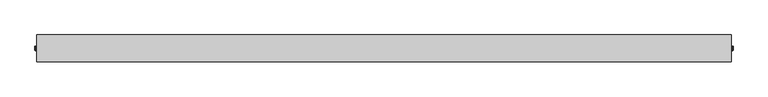
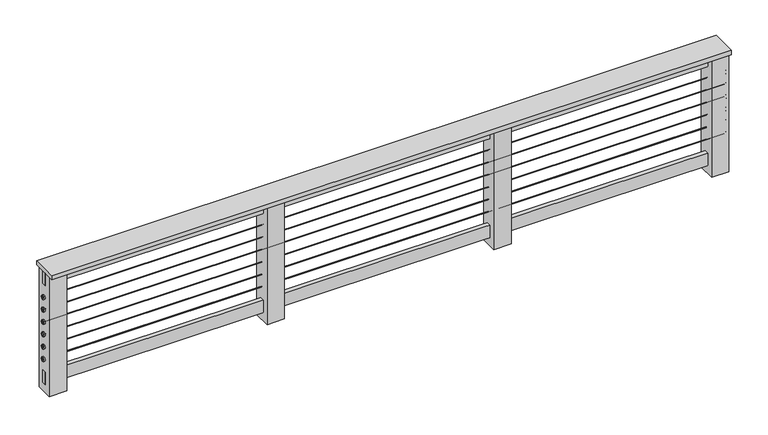
"""IFC4 building model written with IfcOpenShell, lengths in millimetres: railing geometry."""

from ifc_helpers import new_model, si_unit, point, frame, frame_2d, origin, origin_with_axes, place, context, project, spatial, polyline, circle_curve, ellipse_curve, trimmed, segment, composite_curve, outline, extrude, source, transform, mapped, element, save
from ifc_brep_helpers import plane_surface, cylinder_surface, revolved_surface, advanced_brep


def railing_a0584a1e(model_context):
    return source(origin(), model_context, "Body", "SolidModel", [
        extrude(outline(polyline([(-7619.7788687, -3155.4327249), (-7619.7788687, -3003.0327249), (-3657.3788687, -3003.0327249), (-3657.3788687, -3155.4327249), (-7619.7788687, -3155.4327249)])), frame((0.0, 0.0, 736.6), z_axis=(0.0, 0.0, 1.0), x_axis=(1.0, 0.0, 0.0)), (0.0, 0.0, 1.0), 25.4),
        extrude(outline(polyline([(-7619.7788687, -3091.9327249), (-7619.7788687, -3066.5327249), (-3657.3788687, -3066.5327249), (-3657.3788687, -3091.9327249), (-7619.7788687, -3091.9327249)])), frame((0.0, 0.0, 660.4), z_axis=(0.0, 0.0, 1.0), x_axis=(1.0, 0.0, 0.0)), (0.0, 0.0, 1.0), 76.2),
        extrude(outline(composite_curve([segment(trimmed(circle_curve(frame_2d((-3079.2327249, 584.2)), 1.5379197), [point((-3077.6948051, 584.2))], [point((-3080.7706446, 584.2))], False, "CARTESIAN"), True, "CONTINUOUS"), segment(trimmed(circle_curve(frame_2d((-3079.2327249, 584.2)), 1.5379197), [point((-3080.7706446, 584.2))], [point((-3077.6948051, 584.2))], False, "CARTESIAN"), True, "CONTINUOUS")], self_intersect=False)), frame((-7619.7788687, 0.0, 0.0), z_axis=(1.0, 0.0, 0.0), x_axis=(0.0, 1.0, 0.0)), (0.0, 0.0, 1.0), 3962.4),
        extrude(outline(composite_curve([segment(trimmed(circle_curve(frame_2d((-3079.2327249, 508.0)), 1.5379197), [point((-3077.6948051, 508.0))], [point((-3080.7706446, 508.0))], False, "CARTESIAN"), True, "CONTINUOUS"), segment(trimmed(circle_curve(frame_2d((-3079.2327249, 508.0)), 1.5379197), [point((-3080.7706446, 508.0))], [point((-3077.6948051, 508.0))], False, "CARTESIAN"), True, "CONTINUOUS")], self_intersect=False)), frame((-7619.7788687, 0.0, 0.0), z_axis=(1.0, 0.0, 0.0), x_axis=(0.0, 1.0, 0.0)), (0.0, 0.0, 1.0), 3962.4),
        extrude(outline(composite_curve([segment(trimmed(circle_curve(frame_2d((-3079.2327249, 431.8)), 1.5379197), [point((-3077.6948051, 431.8))], [point((-3080.7706446, 431.8))], False, "CARTESIAN"), True, "CONTINUOUS"), segment(trimmed(circle_curve(frame_2d((-3079.2327249, 431.8)), 1.5379197), [point((-3080.7706446, 431.8))], [point((-3077.6948051, 431.8))], False, "CARTESIAN"), True, "CONTINUOUS")], self_intersect=False)), frame((-7619.7788687, 0.0, 0.0), z_axis=(1.0, 0.0, 0.0), x_axis=(0.0, 1.0, 0.0)), (0.0, 0.0, 1.0), 3962.4),
        extrude(outline(composite_curve([segment(trimmed(circle_curve(frame_2d((-3079.2327249, 355.6)), 1.5379197), [point((-3077.6948051, 355.6))], [point((-3080.7706446, 355.6))], False, "CARTESIAN"), True, "CONTINUOUS"), segment(trimmed(circle_curve(frame_2d((-3079.2327249, 355.6)), 1.5379197), [point((-3080.7706446, 355.6))], [point((-3077.6948051, 355.6))], False, "CARTESIAN"), True, "CONTINUOUS")], self_intersect=False)), frame((-7619.7788687, 0.0, 0.0), z_axis=(1.0, 0.0, 0.0), x_axis=(0.0, 1.0, 0.0)), (0.0, 0.0, 1.0), 3962.4),
        extrude(outline(composite_curve([segment(trimmed(circle_curve(frame_2d((-3079.2327249, 279.4)), 1.5379197), [point((-3077.6948051, 279.4))], [point((-3080.7706446, 279.4))], False, "CARTESIAN"), True, "CONTINUOUS"), segment(trimmed(circle_curve(frame_2d((-3079.2327249, 279.4)), 1.5379197), [point((-3080.7706446, 279.4))], [point((-3077.6948051, 279.4))], False, "CARTESIAN"), True, "CONTINUOUS")], self_intersect=False)), frame((-7619.7788687, 0.0, 0.0), z_axis=(1.0, 0.0, 0.0), x_axis=(0.0, 1.0, 0.0)), (0.0, 0.0, 1.0), 3962.4),
        extrude(outline(composite_curve([segment(trimmed(circle_curve(frame_2d((-3079.2327249, 203.2)), 1.5379197), [point((-3077.6948051, 203.2))], [point((-3080.7706446, 203.2))], False, "CARTESIAN"), True, "CONTINUOUS"), segment(trimmed(circle_curve(frame_2d((-3079.2327249, 203.2)), 1.5379197), [point((-3080.7706446, 203.2))], [point((-3077.6948051, 203.2))], False, "CARTESIAN"), True, "CONTINUOUS")], self_intersect=False)), frame((-7619.7788687, 0.0, 0.0), z_axis=(1.0, 0.0, 0.0), x_axis=(0.0, 1.0, 0.0)), (0.0, 0.0, 1.0), 3962.4),
        extrude(outline(polyline([(-7619.7788687, -3091.9327249), (-7619.7788687, -3066.5327249), (-3657.3788687, -3066.5327249), (-3657.3788687, -3091.9327249), (-7619.7788687, -3091.9327249)])), frame((0.0, 0.0, 50.8), z_axis=(0.0, 0.0, 1.0), x_axis=(1.0, 0.0, 0.0)), (0.0, 0.0, 1.0), 76.2),
        extrude(outline(polyline([(-5028.9788687, -3130.0327249), (-5028.9788687, -3028.4327249), (-4927.3788687, -3028.4327249), (-4927.3788687, -3130.0327249), (-5028.9788687, -3130.0327249)])), origin_with_axes(), (0.0, 0.0, 1.0), 736.6),
        extrude(outline(polyline([(-6349.7788687, -3130.0327249), (-6349.7788687, -3028.4327249), (-6248.1788687, -3028.4327249), (-6248.1788687, -3130.0327249), (-6349.7788687, -3130.0327249)])), origin_with_axes(), (0.0, 0.0, 1.0), 736.6),
        advanced_brep(
        [(-3657.3788687, -3079.2327249, 279.0980455), (-3657.3788687, -3079.2327249, 266.3980455), (-3657.3788687, -3079.2327249, 291.7980455), (-3647.8538687, -3079.2327249, 269.5730455), (-3647.8538687, -3079.2327249, 279.0980455), (-3647.8538687, -3079.2327249, 288.6230455), (-3651.0288687, -3079.2327249, 266.3980455), (-3651.0288687, -3079.2327249, 291.7980455)],
        [
            (0, 1),
            (1, 2, circle_curve(frame((-3657.3788687, -3079.2327249, 279.0980455), z_axis=(-1.0, 0.0, 0.0), x_axis=(0.0, 0.0, 1.0)), 12.7)),
            (2, 0),
            (2, 1, circle_curve(frame((-3657.3788687, -3079.2327249, 279.0980455), z_axis=(-1.0, 0.0, 0.0), x_axis=(0.0, 0.0, 1.0)), 12.7)),
            (3, 4),
            (4, 5),
            (5, 3, circle_curve(frame((-3647.8538687, -3079.2327249, 279.0980455), z_axis=(1.0, 0.0, 0.0), x_axis=(0.0, 0.0, 1.0)), 9.525)),
            (3, 5, circle_curve(frame((-3647.8538687, -3079.2327249, 279.0980455), z_axis=(1.0, 0.0, 0.0), x_axis=(0.0, 0.0, 1.0)), 9.525)),
            (1, 6),
            (6, 7, circle_curve(frame((-3651.0288687, -3079.2327249, 279.0980455), z_axis=(-1.0, 0.0, 0.0), x_axis=(0.0, 0.0, 1.0)), 12.7)),
            (7, 2),
            (7, 6, circle_curve(frame((-3651.0288687, -3079.2327249, 279.0980455), z_axis=(-1.0, 0.0, 0.0), x_axis=(0.0, 0.0, 1.0)), 12.7)),
            (6, 3, circle_curve(frame((-3651.0288687, -3079.2327249, 269.5730455), z_axis=(0.0, -1.0, 0.0), x_axis=(1.0, 0.0, 0.0)), 3.175)),
            (5, 7, circle_curve(frame((-3651.0288687, -3079.2327249, 288.6230455), z_axis=(0.0, -1.0, 0.0), x_axis=(1.0, 0.0, 0.0)), 3.175)),
        ],
        [
            plane_surface(frame((-3657.3788687, -3079.2327249, 279.0980455), z_axis=(-1.0, 0.0, 0.0), x_axis=(0.0, 0.0, 1.0))),
            plane_surface(frame((-3647.8538687, -3079.2327249, 279.0980455), z_axis=(1.0, 0.0, 0.0), x_axis=(0.0, 0.0, 1.0))),
            cylinder_surface(frame((-3657.3788687, -3079.2327249, 279.0980455), z_axis=(-1.0, 0.0, 0.0), x_axis=(0.0, 0.0, 1.0)), 12.7),
            revolved_surface(trimmed(ellipse_curve(frame((-3651.0288687, -3079.2327249, 288.6230455), z_axis=(0.0, -1.0, 0.0), x_axis=(1.0, 0.0, 0.0)), 3.175, 3.175), [point((-3647.8538687, -3079.2327249, 288.6230455))], [point((-3651.0288687, -3079.2327249, 291.7980455))], True, "CARTESIAN"), (-3657.3788687, -3079.2327249, 279.0980455), (-1.0, 0.0, 0.0)),
        ],
        [
            (0, [[1, 2, 3]]),
            (0, [[-3, 4, -1]]),
            (1, [[5, 6, 7]]),
            (1, [[-6, -5, 8]]),
            (2, [[9, 10, 11, -2]]),
            (2, [[-11, 12, -9, -4]]),
            (3, [[13, -7, 14, -10]]),
            (3, [[-14, -8, -13, -12]]),
        ],
    ),
        advanced_brep(
        [(-3657.3788687, -3079.2327249, 355.2980455), (-3657.3788687, -3079.2327249, 342.5980455), (-3657.3788687, -3079.2327249, 367.9980455), (-3647.8538687, -3079.2327249, 345.7730455), (-3647.8538687, -3079.2327249, 355.2980455), (-3647.8538687, -3079.2327249, 364.8230455), (-3651.0288687, -3079.2327249, 342.5980455), (-3651.0288687, -3079.2327249, 367.9980455)],
        [
            (0, 1),
            (1, 2, circle_curve(frame((-3657.3788687, -3079.2327249, 355.2980455), z_axis=(-1.0, 0.0, 0.0), x_axis=(0.0, 0.0, 1.0)), 12.7)),
            (2, 0),
            (2, 1, circle_curve(frame((-3657.3788687, -3079.2327249, 355.2980455), z_axis=(-1.0, 0.0, 0.0), x_axis=(0.0, 0.0, 1.0)), 12.7)),
            (3, 4),
            (4, 5),
            (5, 3, circle_curve(frame((-3647.8538687, -3079.2327249, 355.2980455), z_axis=(1.0, 0.0, 0.0), x_axis=(0.0, 0.0, 1.0)), 9.525)),
            (3, 5, circle_curve(frame((-3647.8538687, -3079.2327249, 355.2980455), z_axis=(1.0, 0.0, 0.0), x_axis=(0.0, 0.0, 1.0)), 9.525)),
            (1, 6),
            (6, 7, circle_curve(frame((-3651.0288687, -3079.2327249, 355.2980455), z_axis=(-1.0, 0.0, 0.0), x_axis=(0.0, 0.0, 1.0)), 12.7)),
            (7, 2),
            (7, 6, circle_curve(frame((-3651.0288687, -3079.2327249, 355.2980455), z_axis=(-1.0, 0.0, 0.0), x_axis=(0.0, 0.0, 1.0)), 12.7)),
            (6, 3, circle_curve(frame((-3651.0288687, -3079.2327249, 345.7730455), z_axis=(0.0, -1.0, 0.0), x_axis=(1.0, 0.0, 0.0)), 3.175)),
            (5, 7, circle_curve(frame((-3651.0288687, -3079.2327249, 364.8230455), z_axis=(0.0, -1.0, 0.0), x_axis=(1.0, 0.0, 0.0)), 3.175)),
        ],
        [
            plane_surface(frame((-3657.3788687, -3079.2327249, 355.2980455), z_axis=(-1.0, 0.0, 0.0), x_axis=(0.0, 0.0, 1.0))),
            plane_surface(frame((-3647.8538687, -3079.2327249, 355.2980455), z_axis=(1.0, 0.0, 0.0), x_axis=(0.0, 0.0, 1.0))),
            cylinder_surface(frame((-3657.3788687, -3079.2327249, 355.2980455), z_axis=(-1.0, 0.0, 0.0), x_axis=(0.0, 0.0, 1.0)), 12.7),
            revolved_surface(trimmed(ellipse_curve(frame((-3651.0288687, -3079.2327249, 364.8230455), z_axis=(0.0, -1.0, 0.0), x_axis=(1.0, 0.0, 0.0)), 3.175, 3.175), [point((-3647.8538687, -3079.2327249, 364.8230455))], [point((-3651.0288687, -3079.2327249, 367.9980455))], True, "CARTESIAN"), (-3657.3788687, -3079.2327249, 355.2980455), (-1.0, 0.0, 0.0)),
        ],
        [
            (0, [[1, 2, 3]]),
            (0, [[-3, 4, -1]]),
            (1, [[5, 6, 7]]),
            (1, [[-6, -5, 8]]),
            (2, [[9, 10, 11, -2]]),
            (2, [[-11, 12, -9, -4]]),
            (3, [[13, -7, 14, -10]]),
            (3, [[-14, -8, -13, -12]]),
        ],
    ),
        advanced_brep(
        [(-3657.3788687, -3079.2327249, 431.4980455), (-3657.3788687, -3079.2327249, 418.7980455), (-3657.3788687, -3079.2327249, 444.1980455), (-3647.8538687, -3079.2327249, 421.9730455), (-3647.8538687, -3079.2327249, 431.4980455), (-3647.8538687, -3079.2327249, 441.0230455), (-3651.0288687, -3079.2327249, 418.7980455), (-3651.0288687, -3079.2327249, 444.1980455)],
        [
            (0, 1),
            (1, 2, circle_curve(frame((-3657.3788687, -3079.2327249, 431.4980455), z_axis=(-1.0, 0.0, 0.0), x_axis=(0.0, 0.0, 1.0)), 12.7)),
            (2, 0),
            (2, 1, circle_curve(frame((-3657.3788687, -3079.2327249, 431.4980455), z_axis=(-1.0, 0.0, 0.0), x_axis=(0.0, 0.0, 1.0)), 12.7)),
            (3, 4),
            (4, 5),
            (5, 3, circle_curve(frame((-3647.8538687, -3079.2327249, 431.4980455), z_axis=(1.0, 0.0, 0.0), x_axis=(0.0, 0.0, 1.0)), 9.525)),
            (3, 5, circle_curve(frame((-3647.8538687, -3079.2327249, 431.4980455), z_axis=(1.0, 0.0, 0.0), x_axis=(0.0, 0.0, 1.0)), 9.525)),
            (1, 6),
            (6, 7, circle_curve(frame((-3651.0288687, -3079.2327249, 431.4980455), z_axis=(-1.0, 0.0, 0.0), x_axis=(0.0, 0.0, 1.0)), 12.7)),
            (7, 2),
            (7, 6, circle_curve(frame((-3651.0288687, -3079.2327249, 431.4980455), z_axis=(-1.0, 0.0, 0.0), x_axis=(0.0, 0.0, 1.0)), 12.7)),
            (6, 3, circle_curve(frame((-3651.0288687, -3079.2327249, 421.9730455), z_axis=(0.0, -1.0, 0.0), x_axis=(1.0, 0.0, 0.0)), 3.175)),
            (5, 7, circle_curve(frame((-3651.0288687, -3079.2327249, 441.0230455), z_axis=(0.0, -1.0, 0.0), x_axis=(1.0, 0.0, 0.0)), 3.175)),
        ],
        [
            plane_surface(frame((-3657.3788687, -3079.2327249, 431.4980455), z_axis=(-1.0, 0.0, 0.0), x_axis=(0.0, 0.0, 1.0))),
            plane_surface(frame((-3647.8538687, -3079.2327249, 431.4980455), z_axis=(1.0, 0.0, 0.0), x_axis=(0.0, 0.0, 1.0))),
            cylinder_surface(frame((-3657.3788687, -3079.2327249, 431.4980455), z_axis=(-1.0, 0.0, 0.0), x_axis=(0.0, 0.0, 1.0)), 12.7),
            revolved_surface(trimmed(ellipse_curve(frame((-3651.0288687, -3079.2327249, 441.0230455), z_axis=(0.0, -1.0, 0.0), x_axis=(1.0, 0.0, 0.0)), 3.175, 3.175), [point((-3647.8538687, -3079.2327249, 441.0230455))], [point((-3651.0288687, -3079.2327249, 444.1980455))], True, "CARTESIAN"), (-3657.3788687, -3079.2327249, 431.4980455), (-1.0, 0.0, 0.0)),
        ],
        [
            (0, [[1, 2, 3]]),
            (0, [[-3, 4, -1]]),
            (1, [[5, 6, 7]]),
            (1, [[-6, -5, 8]]),
            (2, [[9, 10, 11, -2]]),
            (2, [[-11, 12, -9, -4]]),
            (3, [[13, -7, 14, -10]]),
            (3, [[-14, -8, -13, -12]]),
        ],
    ),
        advanced_brep(
        [(-3657.3788687, -3079.2327249, 507.6980455), (-3657.3788687, -3079.2327249, 494.9980455), (-3657.3788687, -3079.2327249, 520.3980455), (-3647.8538687, -3079.2327249, 498.1730455), (-3647.8538687, -3079.2327249, 507.6980455), (-3647.8538687, -3079.2327249, 517.2230455), (-3651.0288687, -3079.2327249, 494.9980455), (-3651.0288687, -3079.2327249, 520.3980455)],
        [
            (0, 1),
            (1, 2, circle_curve(frame((-3657.3788687, -3079.2327249, 507.6980455), z_axis=(-1.0, 0.0, 0.0), x_axis=(0.0, 0.0, 1.0)), 12.7)),
            (2, 0),
            (2, 1, circle_curve(frame((-3657.3788687, -3079.2327249, 507.6980455), z_axis=(-1.0, 0.0, 0.0), x_axis=(0.0, 0.0, 1.0)), 12.7)),
            (3, 4),
            (4, 5),
            (5, 3, circle_curve(frame((-3647.8538687, -3079.2327249, 507.6980455), z_axis=(1.0, 0.0, 0.0), x_axis=(0.0, 0.0, 1.0)), 9.525)),
            (3, 5, circle_curve(frame((-3647.8538687, -3079.2327249, 507.6980455), z_axis=(1.0, 0.0, 0.0), x_axis=(0.0, 0.0, 1.0)), 9.525)),
            (1, 6),
            (6, 7, circle_curve(frame((-3651.0288687, -3079.2327249, 507.6980455), z_axis=(-1.0, 0.0, 0.0), x_axis=(0.0, 0.0, 1.0)), 12.7)),
            (7, 2),
            (7, 6, circle_curve(frame((-3651.0288687, -3079.2327249, 507.6980455), z_axis=(-1.0, 0.0, 0.0), x_axis=(0.0, 0.0, 1.0)), 12.7)),
            (6, 3, circle_curve(frame((-3651.0288687, -3079.2327249, 498.1730455), z_axis=(0.0, -1.0, 0.0), x_axis=(1.0, 0.0, 0.0)), 3.175)),
            (5, 7, circle_curve(frame((-3651.0288687, -3079.2327249, 517.2230455), z_axis=(0.0, -1.0, 0.0), x_axis=(1.0, 0.0, 0.0)), 3.175)),
        ],
        [
            plane_surface(frame((-3657.3788687, -3079.2327249, 507.6980455), z_axis=(-1.0, 0.0, 0.0), x_axis=(0.0, 0.0, 1.0))),
            plane_surface(frame((-3647.8538687, -3079.2327249, 507.6980455), z_axis=(1.0, 0.0, 0.0), x_axis=(0.0, 0.0, 1.0))),
            cylinder_surface(frame((-3657.3788687, -3079.2327249, 507.6980455), z_axis=(-1.0, 0.0, 0.0), x_axis=(0.0, 0.0, 1.0)), 12.7),
            revolved_surface(trimmed(ellipse_curve(frame((-3651.0288687, -3079.2327249, 517.2230455), z_axis=(0.0, -1.0, 0.0), x_axis=(1.0, 0.0, 0.0)), 3.175, 3.175), [point((-3647.8538687, -3079.2327249, 517.2230455))], [point((-3651.0288687, -3079.2327249, 520.3980455))], True, "CARTESIAN"), (-3657.3788687, -3079.2327249, 507.6980455), (-1.0, 0.0, 0.0)),
        ],
        [
            (0, [[1, 2, 3]]),
            (0, [[-3, 4, -1]]),
            (1, [[5, 6, 7]]),
            (1, [[-6, -5, 8]]),
            (2, [[9, 10, 11, -2]]),
            (2, [[-11, 12, -9, -4]]),
            (3, [[13, -7, 14, -10]]),
            (3, [[-14, -8, -13, -12]]),
        ],
    ),
        advanced_brep(
        [(-3657.3788687, -3079.2327249, 583.8980455), (-3657.3788687, -3079.2327249, 571.1980455), (-3657.3788687, -3079.2327249, 596.5980455), (-3647.8538687, -3079.2327249, 574.3730455), (-3647.8538687, -3079.2327249, 583.8980455), (-3647.8538687, -3079.2327249, 593.4230455), (-3651.0288687, -3079.2327249, 571.1980455), (-3651.0288687, -3079.2327249, 596.5980455)],
        [
            (0, 1),
            (1, 2, circle_curve(frame((-3657.3788687, -3079.2327249, 583.8980455), z_axis=(-1.0, 0.0, 0.0), x_axis=(0.0, 0.0, 1.0)), 12.7)),
            (2, 0),
            (2, 1, circle_curve(frame((-3657.3788687, -3079.2327249, 583.8980455), z_axis=(-1.0, 0.0, 0.0), x_axis=(0.0, 0.0, 1.0)), 12.7)),
            (3, 4),
            (4, 5),
            (5, 3, circle_curve(frame((-3647.8538687, -3079.2327249, 583.8980455), z_axis=(1.0, 0.0, 0.0), x_axis=(0.0, 0.0, 1.0)), 9.525)),
            (3, 5, circle_curve(frame((-3647.8538687, -3079.2327249, 583.8980455), z_axis=(1.0, 0.0, 0.0), x_axis=(0.0, 0.0, 1.0)), 9.525)),
            (1, 6),
            (6, 7, circle_curve(frame((-3651.0288687, -3079.2327249, 583.8980455), z_axis=(-1.0, 0.0, 0.0), x_axis=(0.0, 0.0, 1.0)), 12.7)),
            (7, 2),
            (7, 6, circle_curve(frame((-3651.0288687, -3079.2327249, 583.8980455), z_axis=(-1.0, 0.0, 0.0), x_axis=(0.0, 0.0, 1.0)), 12.7)),
            (6, 3, circle_curve(frame((-3651.0288687, -3079.2327249, 574.3730455), z_axis=(0.0, -1.0, 0.0), x_axis=(1.0, 0.0, 0.0)), 3.175)),
            (5, 7, circle_curve(frame((-3651.0288687, -3079.2327249, 593.4230455), z_axis=(0.0, -1.0, 0.0), x_axis=(1.0, 0.0, 0.0)), 3.175)),
        ],
        [
            plane_surface(frame((-3657.3788687, -3079.2327249, 583.8980455), z_axis=(-1.0, 0.0, 0.0), x_axis=(0.0, 0.0, 1.0))),
            plane_surface(frame((-3647.8538687, -3079.2327249, 583.8980455), z_axis=(1.0, 0.0, 0.0), x_axis=(0.0, 0.0, 1.0))),
            cylinder_surface(frame((-3657.3788687, -3079.2327249, 583.8980455), z_axis=(-1.0, 0.0, 0.0), x_axis=(0.0, 0.0, 1.0)), 12.7),
            revolved_surface(trimmed(ellipse_curve(frame((-3651.0288687, -3079.2327249, 593.4230455), z_axis=(0.0, -1.0, 0.0), x_axis=(1.0, 0.0, 0.0)), 3.175, 3.175), [point((-3647.8538687, -3079.2327249, 593.4230455))], [point((-3651.0288687, -3079.2327249, 596.5980455))], True, "CARTESIAN"), (-3657.3788687, -3079.2327249, 583.8980455), (-1.0, 0.0, 0.0)),
        ],
        [
            (0, [[1, 2, 3]]),
            (0, [[-3, 4, -1]]),
            (1, [[5, 6, 7]]),
            (1, [[-6, -5, 8]]),
            (2, [[9, 10, 11, -2]]),
            (2, [[-11, 12, -9, -4]]),
            (3, [[13, -7, 14, -10]]),
            (3, [[-14, -8, -13, -12]]),
        ],
    ),
        advanced_brep(
        [(-3657.3788687, -3079.2327249, 202.8980455), (-3657.3788687, -3079.2327249, 190.1980455), (-3657.3788687, -3079.2327249, 215.5980455), (-3647.8538687, -3079.2327249, 193.3730455), (-3647.8538687, -3079.2327249, 202.8980455), (-3647.8538687, -3079.2327249, 212.4230455), (-3651.0288687, -3079.2327249, 190.1980455), (-3651.0288687, -3079.2327249, 215.5980455)],
        [
            (0, 1),
            (1, 2, circle_curve(frame((-3657.3788687, -3079.2327249, 202.8980455), z_axis=(-1.0, 0.0, 0.0), x_axis=(0.0, 0.0, 1.0)), 12.7)),
            (2, 0),
            (2, 1, circle_curve(frame((-3657.3788687, -3079.2327249, 202.8980455), z_axis=(-1.0, 0.0, 0.0), x_axis=(0.0, 0.0, 1.0)), 12.7)),
            (3, 4),
            (4, 5),
            (5, 3, circle_curve(frame((-3647.8538687, -3079.2327249, 202.8980455), z_axis=(1.0, 0.0, 0.0), x_axis=(0.0, 0.0, 1.0)), 9.525)),
            (3, 5, circle_curve(frame((-3647.8538687, -3079.2327249, 202.8980455), z_axis=(1.0, 0.0, 0.0), x_axis=(0.0, 0.0, 1.0)), 9.525)),
            (1, 6),
            (6, 7, circle_curve(frame((-3651.0288687, -3079.2327249, 202.8980455), z_axis=(-1.0, 0.0, 0.0), x_axis=(0.0, 0.0, 1.0)), 12.7)),
            (7, 2),
            (7, 6, circle_curve(frame((-3651.0288687, -3079.2327249, 202.8980455), z_axis=(-1.0, 0.0, 0.0), x_axis=(0.0, 0.0, 1.0)), 12.7)),
            (6, 3, circle_curve(frame((-3651.0288687, -3079.2327249, 193.3730455), z_axis=(0.0, -1.0, 0.0), x_axis=(1.0, 0.0, 0.0)), 3.175)),
            (5, 7, circle_curve(frame((-3651.0288687, -3079.2327249, 212.4230455), z_axis=(0.0, -1.0, 0.0), x_axis=(1.0, 0.0, 0.0)), 3.175)),
        ],
        [
            plane_surface(frame((-3657.3788687, -3079.2327249, 202.8980455), z_axis=(-1.0, 0.0, 0.0), x_axis=(0.0, 0.0, 1.0))),
            plane_surface(frame((-3647.8538687, -3079.2327249, 202.8980455), z_axis=(1.0, 0.0, 0.0), x_axis=(0.0, 0.0, 1.0))),
            cylinder_surface(frame((-3657.3788687, -3079.2327249, 202.8980455), z_axis=(-1.0, 0.0, 0.0), x_axis=(0.0, 0.0, 1.0)), 12.7),
            revolved_surface(trimmed(ellipse_curve(frame((-3651.0288687, -3079.2327249, 212.4230455), z_axis=(0.0, -1.0, 0.0), x_axis=(1.0, 0.0, 0.0)), 3.175, 3.175), [point((-3647.8538687, -3079.2327249, 212.4230455))], [point((-3651.0288687, -3079.2327249, 215.5980455))], True, "CARTESIAN"), (-3657.3788687, -3079.2327249, 202.8980455), (-1.0, 0.0, 0.0)),
        ],
        [
            (0, [[1, 2, 3]]),
            (0, [[-3, 4, -1]]),
            (1, [[5, 6, 7]]),
            (1, [[-6, -5, 8]]),
            (2, [[9, 10, 11, -2]]),
            (2, [[-11, 12, -9, -4]]),
            (3, [[13, -7, 14, -10]]),
            (3, [[-14, -8, -13, -12]]),
        ],
    ),
        extrude(outline(polyline([(-3758.9788687, -3130.0327249), (-3758.9788687, -3028.4327249), (-3657.3788687, -3028.4327249), (-3657.3788687, -3130.0327249), (-3758.9788687, -3130.0327249)])), origin_with_axes(), (0.0, 0.0, 1.0), 736.6),
        advanced_brep(
        [(-7619.7788687, -3079.2327249, 279.3957018), (-7619.7788687, -3079.2327249, 292.0957018), (-7619.7788687, -3079.2327249, 266.6957018), (-7629.3038687, -3079.2327249, 269.9204941), (-7629.3038687, -3079.2327249, 288.8709095), (-7629.3038687, -3079.2327249, 279.3957018), (-7626.1288687, -3079.2327249, 292.0957018), (-7626.1288687, -3079.2327249, 266.6957018)],
        [
            (0, 1),
            (1, 2, circle_curve(frame((-7619.7788687, -3079.2327249, 279.3957018), z_axis=(1.0, 0.0, 0.0), x_axis=(0.0, 0.0, 1.0)), 12.7)),
            (2, 0),
            (2, 1, circle_curve(frame((-7619.7788687, -3079.2327249, 279.3957018), z_axis=(1.0, 0.0, 0.0), x_axis=(0.0, 0.0, 1.0)), 12.7)),
            (3, 4, circle_curve(frame((-7629.3038687, -3079.2327249, 279.3957018), z_axis=(-1.0, 0.0, 0.0), x_axis=(0.0, 0.0, 1.0)), 9.4752077)),
            (4, 5),
            (5, 3),
            (4, 3, circle_curve(frame((-7629.3038687, -3079.2327249, 279.3957018), z_axis=(-1.0, 0.0, 0.0), x_axis=(0.0, 0.0, 1.0)), 9.4752077)),
            (1, 6),
            (6, 7, circle_curve(frame((-7626.1288687, -3079.2327249, 279.3957018), z_axis=(1.0, 0.0, 0.0), x_axis=(0.0, 0.0, 1.0)), 12.7)),
            (7, 2),
            (7, 6, circle_curve(frame((-7626.1288687, -3079.2327249, 279.3957018), z_axis=(1.0, 0.0, 0.0), x_axis=(0.0, 0.0, 1.0)), 12.7)),
            (6, 4, circle_curve(frame((-7626.1288687, -3079.2327249, 288.8709095), z_axis=(0.0, -1.0, 0.0), x_axis=(-1.0, 0.0, 0.0)), 3.175)),
            (3, 7, circle_curve(frame((-7626.1288687, -3079.2327249, 269.9204941), z_axis=(0.0, -1.0, 0.0), x_axis=(-1.0, 0.0, 0.0)), 3.175)),
        ],
        [
            plane_surface(frame((-7619.7788687, -3079.2327249, 279.3957018), z_axis=(1.0, 0.0, 0.0), x_axis=(0.0, 0.0, 1.0))),
            plane_surface(frame((-7629.3038687, -3079.2327249, 279.3957018), z_axis=(-1.0, 0.0, 0.0), x_axis=(0.0, 0.0, 1.0))),
            cylinder_surface(frame((-7619.7788687, -3079.2327249, 279.3957018), z_axis=(1.0, 0.0, 0.0), x_axis=(0.0, 0.0, 1.0)), 12.7),
            revolved_surface(trimmed(ellipse_curve(frame((-7626.1288687, -3079.2327249, 288.8709095), z_axis=(0.0, 1.0, 0.0), x_axis=(-1.0, 0.0, 0.0)), 3.175, 3.175), [point((-7629.3038687, -3079.2327249, 288.8709095))], [point((-7626.1288687, -3079.2327249, 292.0459095))], True, "CARTESIAN"), (-7619.7788687, -3079.2327249, 279.3957018), (1.0, 0.0, 0.0)),
        ],
        [
            (0, [[1, 2, 3]]),
            (0, [[-3, 4, -1]]),
            (1, [[5, 6, 7]]),
            (1, [[8, -7, -6]]),
            (2, [[-2, 9, 10, 11]]),
            (2, [[-4, -11, 12, -9]]),
            (3, [[-10, 13, -5, 14]]),
            (3, [[-12, -14, -8, -13]]),
        ],
    ),
        advanced_brep(
        [(-7619.7788687, -3079.2327249, 355.5957018), (-7619.7788687, -3079.2327249, 368.2957018), (-7619.7788687, -3079.2327249, 342.8957018), (-7629.3038687, -3079.2327249, 346.1204941), (-7629.3038687, -3079.2327249, 365.0709095), (-7629.3038687, -3079.2327249, 355.5957018), (-7626.1288687, -3079.2327249, 368.2957018), (-7626.1288687, -3079.2327249, 342.8957018)],
        [
            (0, 1),
            (1, 2, circle_curve(frame((-7619.7788687, -3079.2327249, 355.5957018), z_axis=(1.0, 0.0, 0.0), x_axis=(0.0, 0.0, 1.0)), 12.7)),
            (2, 0),
            (2, 1, circle_curve(frame((-7619.7788687, -3079.2327249, 355.5957018), z_axis=(1.0, 0.0, 0.0), x_axis=(0.0, 0.0, 1.0)), 12.7)),
            (3, 4, circle_curve(frame((-7629.3038687, -3079.2327249, 355.5957018), z_axis=(-1.0, 0.0, 0.0), x_axis=(0.0, 0.0, 1.0)), 9.4752077)),
            (4, 5),
            (5, 3),
            (4, 3, circle_curve(frame((-7629.3038687, -3079.2327249, 355.5957018), z_axis=(-1.0, 0.0, 0.0), x_axis=(0.0, 0.0, 1.0)), 9.4752077)),
            (1, 6),
            (6, 7, circle_curve(frame((-7626.1288687, -3079.2327249, 355.5957018), z_axis=(1.0, 0.0, 0.0), x_axis=(0.0, 0.0, 1.0)), 12.7)),
            (7, 2),
            (7, 6, circle_curve(frame((-7626.1288687, -3079.2327249, 355.5957018), z_axis=(1.0, 0.0, 0.0), x_axis=(0.0, 0.0, 1.0)), 12.7)),
            (6, 4, circle_curve(frame((-7626.1288687, -3079.2327249, 365.0709095), z_axis=(0.0, -1.0, 0.0), x_axis=(-1.0, 0.0, 0.0)), 3.175)),
            (3, 7, circle_curve(frame((-7626.1288687, -3079.2327249, 346.1204941), z_axis=(0.0, -1.0, 0.0), x_axis=(-1.0, 0.0, 0.0)), 3.175)),
        ],
        [
            plane_surface(frame((-7619.7788687, -3079.2327249, 355.5957018), z_axis=(1.0, 0.0, 0.0), x_axis=(0.0, 0.0, 1.0))),
            plane_surface(frame((-7629.3038687, -3079.2327249, 355.5957018), z_axis=(-1.0, 0.0, 0.0), x_axis=(0.0, 0.0, 1.0))),
            cylinder_surface(frame((-7619.7788687, -3079.2327249, 355.5957018), z_axis=(1.0, 0.0, 0.0), x_axis=(0.0, 0.0, 1.0)), 12.7),
            revolved_surface(trimmed(ellipse_curve(frame((-7626.1288687, -3079.2327249, 365.0709095), z_axis=(0.0, 1.0, 0.0), x_axis=(-1.0, 0.0, 0.0)), 3.175, 3.175), [point((-7629.3038687, -3079.2327249, 365.0709095))], [point((-7626.1288687, -3079.2327249, 368.2459095))], True, "CARTESIAN"), (-7619.7788687, -3079.2327249, 355.5957018), (1.0, 0.0, 0.0)),
        ],
        [
            (0, [[1, 2, 3]]),
            (0, [[-3, 4, -1]]),
            (1, [[5, 6, 7]]),
            (1, [[8, -7, -6]]),
            (2, [[-2, 9, 10, 11]]),
            (2, [[-4, -11, 12, -9]]),
            (3, [[-10, 13, -5, 14]]),
            (3, [[-12, -14, -8, -13]]),
        ],
    ),
        advanced_brep(
        [(-7619.7788687, -3079.2327249, 431.7957018), (-7619.7788687, -3079.2327249, 444.4957018), (-7619.7788687, -3079.2327249, 419.0957018), (-7629.3038687, -3079.2327249, 422.3204941), (-7629.3038687, -3079.2327249, 441.2709095), (-7629.3038687, -3079.2327249, 431.7957018), (-7626.1288687, -3079.2327249, 444.4957018), (-7626.1288687, -3079.2327249, 419.0957018)],
        [
            (0, 1),
            (1, 2, circle_curve(frame((-7619.7788687, -3079.2327249, 431.7957018), z_axis=(1.0, 0.0, 0.0), x_axis=(0.0, 0.0, 1.0)), 12.7)),
            (2, 0),
            (2, 1, circle_curve(frame((-7619.7788687, -3079.2327249, 431.7957018), z_axis=(1.0, 0.0, 0.0), x_axis=(0.0, 0.0, 1.0)), 12.7)),
            (3, 4, circle_curve(frame((-7629.3038687, -3079.2327249, 431.7957018), z_axis=(-1.0, 0.0, 0.0), x_axis=(0.0, 0.0, 1.0)), 9.4752077)),
            (4, 5),
            (5, 3),
            (4, 3, circle_curve(frame((-7629.3038687, -3079.2327249, 431.7957018), z_axis=(-1.0, 0.0, 0.0), x_axis=(0.0, 0.0, 1.0)), 9.4752077)),
            (1, 6),
            (6, 7, circle_curve(frame((-7626.1288687, -3079.2327249, 431.7957018), z_axis=(1.0, 0.0, 0.0), x_axis=(0.0, 0.0, 1.0)), 12.7)),
            (7, 2),
            (7, 6, circle_curve(frame((-7626.1288687, -3079.2327249, 431.7957018), z_axis=(1.0, 0.0, 0.0), x_axis=(0.0, 0.0, 1.0)), 12.7)),
            (6, 4, circle_curve(frame((-7626.1288687, -3079.2327249, 441.2709095), z_axis=(0.0, -1.0, 0.0), x_axis=(-1.0, 0.0, 0.0)), 3.175)),
            (3, 7, circle_curve(frame((-7626.1288687, -3079.2327249, 422.3204941), z_axis=(0.0, -1.0, 0.0), x_axis=(-1.0, 0.0, 0.0)), 3.175)),
        ],
        [
            plane_surface(frame((-7619.7788687, -3079.2327249, 431.7957018), z_axis=(1.0, 0.0, 0.0), x_axis=(0.0, 0.0, 1.0))),
            plane_surface(frame((-7629.3038687, -3079.2327249, 431.7957018), z_axis=(-1.0, 0.0, 0.0), x_axis=(0.0, 0.0, 1.0))),
            cylinder_surface(frame((-7619.7788687, -3079.2327249, 431.7957018), z_axis=(1.0, 0.0, 0.0), x_axis=(0.0, 0.0, 1.0)), 12.7),
            revolved_surface(trimmed(ellipse_curve(frame((-7626.1288687, -3079.2327249, 441.2709095), z_axis=(0.0, 1.0, 0.0), x_axis=(-1.0, 0.0, 0.0)), 3.175, 3.175), [point((-7629.3038687, -3079.2327249, 441.2709095))], [point((-7626.1288687, -3079.2327249, 444.4459095))], True, "CARTESIAN"), (-7619.7788687, -3079.2327249, 431.7957018), (1.0, 0.0, 0.0)),
        ],
        [
            (0, [[1, 2, 3]]),
            (0, [[-3, 4, -1]]),
            (1, [[5, 6, 7]]),
            (1, [[8, -7, -6]]),
            (2, [[-2, 9, 10, 11]]),
            (2, [[-4, -11, 12, -9]]),
            (3, [[-10, 13, -5, 14]]),
            (3, [[-12, -14, -8, -13]]),
        ],
    ),
        advanced_brep(
        [(-7619.7788687, -3079.2327249, 507.9957018), (-7619.7788687, -3079.2327249, 520.6957018), (-7619.7788687, -3079.2327249, 495.2957018), (-7629.3038687, -3079.2327249, 498.5204941), (-7629.3038687, -3079.2327249, 517.4709095), (-7629.3038687, -3079.2327249, 507.9957018), (-7626.1288687, -3079.2327249, 520.6957018), (-7626.1288687, -3079.2327249, 495.2957018)],
        [
            (0, 1),
            (1, 2, circle_curve(frame((-7619.7788687, -3079.2327249, 507.9957018), z_axis=(1.0, 0.0, 0.0), x_axis=(0.0, 0.0, 1.0)), 12.7)),
            (2, 0),
            (2, 1, circle_curve(frame((-7619.7788687, -3079.2327249, 507.9957018), z_axis=(1.0, 0.0, 0.0), x_axis=(0.0, 0.0, 1.0)), 12.7)),
            (3, 4, circle_curve(frame((-7629.3038687, -3079.2327249, 507.9957018), z_axis=(-1.0, 0.0, 0.0), x_axis=(0.0, 0.0, 1.0)), 9.4752077)),
            (4, 5),
            (5, 3),
            (4, 3, circle_curve(frame((-7629.3038687, -3079.2327249, 507.9957018), z_axis=(-1.0, 0.0, 0.0), x_axis=(0.0, 0.0, 1.0)), 9.4752077)),
            (1, 6),
            (6, 7, circle_curve(frame((-7626.1288687, -3079.2327249, 507.9957018), z_axis=(1.0, 0.0, 0.0), x_axis=(0.0, 0.0, 1.0)), 12.7)),
            (7, 2),
            (7, 6, circle_curve(frame((-7626.1288687, -3079.2327249, 507.9957018), z_axis=(1.0, 0.0, 0.0), x_axis=(0.0, 0.0, 1.0)), 12.7)),
            (6, 4, circle_curve(frame((-7626.1288687, -3079.2327249, 517.4709095), z_axis=(0.0, -1.0, 0.0), x_axis=(-1.0, 0.0, 0.0)), 3.175)),
            (3, 7, circle_curve(frame((-7626.1288687, -3079.2327249, 498.5204941), z_axis=(0.0, -1.0, 0.0), x_axis=(-1.0, 0.0, 0.0)), 3.175)),
        ],
        [
            plane_surface(frame((-7619.7788687, -3079.2327249, 507.9957018), z_axis=(1.0, 0.0, 0.0), x_axis=(0.0, 0.0, 1.0))),
            plane_surface(frame((-7629.3038687, -3079.2327249, 507.9957018), z_axis=(-1.0, 0.0, 0.0), x_axis=(0.0, 0.0, 1.0))),
            cylinder_surface(frame((-7619.7788687, -3079.2327249, 507.9957018), z_axis=(1.0, 0.0, 0.0), x_axis=(0.0, 0.0, 1.0)), 12.7),
            revolved_surface(trimmed(ellipse_curve(frame((-7626.1288687, -3079.2327249, 517.4709095), z_axis=(0.0, 1.0, 0.0), x_axis=(-1.0, 0.0, 0.0)), 3.175, 3.175), [point((-7629.3038687, -3079.2327249, 517.4709095))], [point((-7626.1288687, -3079.2327249, 520.6459095))], True, "CARTESIAN"), (-7619.7788687, -3079.2327249, 507.9957018), (1.0, 0.0, 0.0)),
        ],
        [
            (0, [[1, 2, 3]]),
            (0, [[-3, 4, -1]]),
            (1, [[5, 6, 7]]),
            (1, [[8, -7, -6]]),
            (2, [[-2, 9, 10, 11]]),
            (2, [[-4, -11, 12, -9]]),
            (3, [[-10, 13, -5, 14]]),
            (3, [[-12, -14, -8, -13]]),
        ],
    ),
        advanced_brep(
        [(-7619.7788687, -3079.2327249, 584.1957018), (-7619.7788687, -3079.2327249, 596.8957018), (-7619.7788687, -3079.2327249, 571.4957018), (-7629.3038687, -3079.2327249, 574.7204941), (-7629.3038687, -3079.2327249, 593.6709095), (-7629.3038687, -3079.2327249, 584.1957018), (-7626.1288687, -3079.2327249, 596.8957018), (-7626.1288687, -3079.2327249, 571.4957018)],
        [
            (0, 1),
            (1, 2, circle_curve(frame((-7619.7788687, -3079.2327249, 584.1957018), z_axis=(1.0, 0.0, 0.0), x_axis=(0.0, 0.0, 1.0)), 12.7)),
            (2, 0),
            (2, 1, circle_curve(frame((-7619.7788687, -3079.2327249, 584.1957018), z_axis=(1.0, 0.0, 0.0), x_axis=(0.0, 0.0, 1.0)), 12.7)),
            (3, 4, circle_curve(frame((-7629.3038687, -3079.2327249, 584.1957018), z_axis=(-1.0, 0.0, 0.0), x_axis=(0.0, 0.0, 1.0)), 9.4752077)),
            (4, 5),
            (5, 3),
            (4, 3, circle_curve(frame((-7629.3038687, -3079.2327249, 584.1957018), z_axis=(-1.0, 0.0, 0.0), x_axis=(0.0, 0.0, 1.0)), 9.4752077)),
            (1, 6),
            (6, 7, circle_curve(frame((-7626.1288687, -3079.2327249, 584.1957018), z_axis=(1.0, 0.0, 0.0), x_axis=(0.0, 0.0, 1.0)), 12.7)),
            (7, 2),
            (7, 6, circle_curve(frame((-7626.1288687, -3079.2327249, 584.1957018), z_axis=(1.0, 0.0, 0.0), x_axis=(0.0, 0.0, 1.0)), 12.7)),
            (6, 4, circle_curve(frame((-7626.1288687, -3079.2327249, 593.6709095), z_axis=(0.0, -1.0, 0.0), x_axis=(-1.0, 0.0, 0.0)), 3.175)),
            (3, 7, circle_curve(frame((-7626.1288687, -3079.2327249, 574.7204941), z_axis=(0.0, -1.0, 0.0), x_axis=(-1.0, 0.0, 0.0)), 3.175)),
        ],
        [
            plane_surface(frame((-7619.7788687, -3079.2327249, 584.1957018), z_axis=(1.0, 0.0, 0.0), x_axis=(0.0, 0.0, 1.0))),
            plane_surface(frame((-7629.3038687, -3079.2327249, 584.1957018), z_axis=(-1.0, 0.0, 0.0), x_axis=(0.0, 0.0, 1.0))),
            cylinder_surface(frame((-7619.7788687, -3079.2327249, 584.1957018), z_axis=(1.0, 0.0, 0.0), x_axis=(0.0, 0.0, 1.0)), 12.7),
            revolved_surface(trimmed(ellipse_curve(frame((-7626.1288687, -3079.2327249, 593.6709095), z_axis=(0.0, 1.0, 0.0), x_axis=(-1.0, 0.0, 0.0)), 3.175, 3.175), [point((-7629.3038687, -3079.2327249, 593.6709095))], [point((-7626.1288687, -3079.2327249, 596.8459095))], True, "CARTESIAN"), (-7619.7788687, -3079.2327249, 584.1957018), (1.0, 0.0, 0.0)),
        ],
        [
            (0, [[1, 2, 3]]),
            (0, [[-3, 4, -1]]),
            (1, [[5, 6, 7]]),
            (1, [[8, -7, -6]]),
            (2, [[-2, 9, 10, 11]]),
            (2, [[-4, -11, 12, -9]]),
            (3, [[-10, 13, -5, 14]]),
            (3, [[-12, -14, -8, -13]]),
        ],
    ),
        advanced_brep(
        [(-7619.7788687, -3079.2327249, 203.1957018), (-7619.7788687, -3079.2327249, 215.8957018), (-7619.7788687, -3079.2327249, 190.4957018), (-7629.3038687, -3079.2327249, 193.7204941), (-7629.3038687, -3079.2327249, 212.6709095), (-7629.3038687, -3079.2327249, 203.1957018), (-7626.1288687, -3079.2327249, 215.8957018), (-7626.1288687, -3079.2327249, 190.4957018)],
        [
            (0, 1),
            (1, 2, circle_curve(frame((-7619.7788687, -3079.2327249, 203.1957018), z_axis=(1.0, 0.0, 0.0), x_axis=(0.0, 0.0, 1.0)), 12.7)),
            (2, 0),
            (2, 1, circle_curve(frame((-7619.7788687, -3079.2327249, 203.1957018), z_axis=(1.0, 0.0, 0.0), x_axis=(0.0, 0.0, 1.0)), 12.7)),
            (3, 4, circle_curve(frame((-7629.3038687, -3079.2327249, 203.1957018), z_axis=(-1.0, 0.0, 0.0), x_axis=(0.0, 0.0, 1.0)), 9.4752077)),
            (4, 5),
            (5, 3),
            (4, 3, circle_curve(frame((-7629.3038687, -3079.2327249, 203.1957018), z_axis=(-1.0, 0.0, 0.0), x_axis=(0.0, 0.0, 1.0)), 9.4752077)),
            (1, 6),
            (6, 7, circle_curve(frame((-7626.1288687, -3079.2327249, 203.1957018), z_axis=(1.0, 0.0, 0.0), x_axis=(0.0, 0.0, 1.0)), 12.7)),
            (7, 2),
            (7, 6, circle_curve(frame((-7626.1288687, -3079.2327249, 203.1957018), z_axis=(1.0, 0.0, 0.0), x_axis=(0.0, 0.0, 1.0)), 12.7)),
            (6, 4, circle_curve(frame((-7626.1288687, -3079.2327249, 212.6709095), z_axis=(0.0, -1.0, 0.0), x_axis=(-1.0, 0.0, 0.0)), 3.175)),
            (3, 7, circle_curve(frame((-7626.1288687, -3079.2327249, 193.7204941), z_axis=(0.0, -1.0, 0.0), x_axis=(-1.0, 0.0, 0.0)), 3.175)),
        ],
        [
            plane_surface(frame((-7619.7788687, -3079.2327249, 203.1957018), z_axis=(1.0, 0.0, 0.0), x_axis=(0.0, 0.0, 1.0))),
            plane_surface(frame((-7629.3038687, -3079.2327249, 203.1957018), z_axis=(-1.0, 0.0, 0.0), x_axis=(0.0, 0.0, 1.0))),
            cylinder_surface(frame((-7619.7788687, -3079.2327249, 203.1957018), z_axis=(1.0, 0.0, 0.0), x_axis=(0.0, 0.0, 1.0)), 12.7),
            revolved_surface(trimmed(ellipse_curve(frame((-7626.1288687, -3079.2327249, 212.6709095), z_axis=(0.0, 1.0, 0.0), x_axis=(-1.0, 0.0, 0.0)), 3.175, 3.175), [point((-7629.3038687, -3079.2327249, 212.6709095))], [point((-7626.1288687, -3079.2327249, 215.8459095))], True, "CARTESIAN"), (-7619.7788687, -3079.2327249, 203.1957018), (1.0, 0.0, 0.0)),
        ],
        [
            (0, [[1, 2, 3]]),
            (0, [[-3, 4, -1]]),
            (1, [[5, 6, 7]]),
            (1, [[8, -7, -6]]),
            (2, [[-2, 9, 10, 11]]),
            (2, [[-4, -11, 12, -9]]),
            (3, [[-10, 13, -5, 14]]),
            (3, [[-12, -14, -8, -13]]),
        ],
    ),
        extrude(outline(polyline([(-7619.7788687, -3130.0327249), (-7619.7788687, -3028.4327249), (-7518.1788687, -3028.4327249), (-7518.1788687, -3130.0327249), (-7619.7788687, -3130.0327249)])), origin_with_axes(), (0.0, 0.0, 1.0), 736.6),
    ])


if __name__ == "__main__":
    model = new_model("IFC4")
    model_context = context("Model", 3, world=origin())
    ifc_project = project(units=[si_unit("LENGTHUNIT", "METRE", prefix="MILLI")], contexts=[model_context])
    site = spatial("IfcSite", under=ifc_project)
    building = spatial("IfcBuilding", under=site)
    placement = place(None, origin())
    railing_shape = railing_a0584a1e(model_context)
    element("IfcRailing", 1, at=placement, inside=building, context=model_context, shape_type="MappedRepresentation", body=[
        mapped(railing_shape, transform((0.0, 0.0, 0.0), x_axis=(1.0, 0.0, 0.0), y_axis=(0.0, 1.0, 0.0), z_axis=(0.0, 0.0, 1.0))),
    ])
    save(model, "model.ifc")
